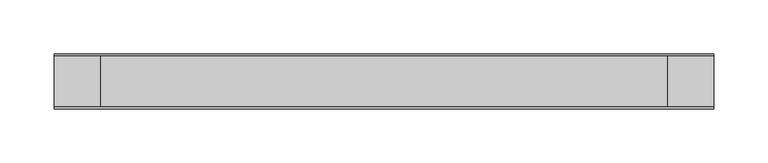
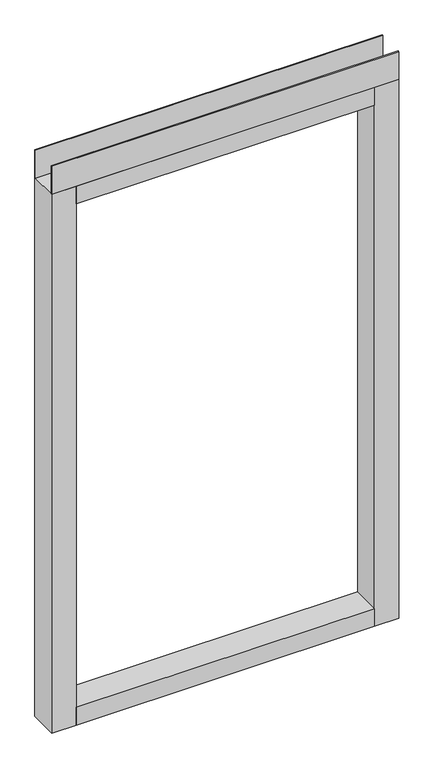
"""IFC4 building model written with IfcOpenShell, lengths in millimetres: furniture geometry."""

from ifc_helpers import new_model, si_unit, frame, origin, place, context, project, spatial, polyline, outline, extrude, source, transform, mapped, element, save


def furniture_c9c7205c(model_context):
    return source(origin(), model_context, "Body", "SweptSolid", [
        extrude(outline(polyline([(304.8, -23.8125), (304.8, -25.4), (-304.8, -25.4), (-304.8, -23.8125), (304.8, -23.8125)])), frame((0.0, 0.0, 1102.233), z_axis=(0.0, 0.0, 1.0), x_axis=(1.0, 0.0, 0.0)), (0.0, 0.0, 1.0), 51.435),
        extrude(outline(polyline([(304.8, 25.4), (304.8, 23.8125), (-304.8, 23.8125), (-304.8, 25.4), (304.8, 25.4)])), frame((0.0, 0.0, 1102.233), z_axis=(0.0, 0.0, 1.0), x_axis=(1.0, 0.0, 0.0)), (0.0, 0.0, 1.0), 51.435),
        extrude(outline(polyline([(261.9375, -25.4), (-261.9375, -25.4), (-261.9375, 25.4), (261.9375, 25.4), (261.9375, -25.4)])), frame((0.0, 0.0, 1069.34), z_axis=(0.0, 0.0, 1.0), x_axis=(1.0, 0.0, 0.0)), (0.0, 0.0, 1.0), 32.893),
        extrude(outline(polyline([(261.9375, -25.4), (-261.9375, -25.4), (-261.9375, 25.4), (261.9375, 25.4), (261.9375, -25.4)])), frame((0.0, 0.0, 101.6), z_axis=(0.0, 0.0, 1.0), x_axis=(1.0, 0.0, 0.0)), (0.0, 0.0, 1.0), 32.893),
        extrude(outline(polyline([(-261.9375, -25.4), (-304.8, -25.4), (-304.8, 25.4), (-261.9375, 25.4), (-261.9375, -25.4)])), frame((0.0, 0.0, 101.6), z_axis=(0.0, 0.0, 1.0), x_axis=(1.0, 0.0, 0.0)), (0.0, 0.0, 1.0), 1000.633),
        extrude(outline(polyline([(304.8, -25.4), (261.9375, -25.4), (261.9375, 25.4), (304.8, 25.4), (304.8, -25.4)])), frame((0.0, 0.0, 101.6), z_axis=(0.0, 0.0, 1.0), x_axis=(1.0, 0.0, 0.0)), (0.0, 0.0, 1.0), 1000.633),
    ])


if __name__ == "__main__":
    model = new_model("IFC4")
    model_context = context("Model", 3, world=origin())
    ifc_project = project(units=[si_unit("LENGTHUNIT", "METRE", prefix="MILLI")], contexts=[model_context])
    site = spatial("IfcSite", under=ifc_project)
    building = spatial("IfcBuilding", under=site)
    placement = place(None, origin())
    furniture_shape = furniture_c9c7205c(model_context)
    element("IfcFurniture", 1, at=placement, inside=building, context=model_context, shape_type="MappedRepresentation", body=[
        mapped(furniture_shape, transform((0.0, 0.0, 0.0), x_axis=(1.0, 0.0, 0.0), y_axis=(0.0, 1.0, 0.0), z_axis=(0.0, 0.0, 1.0))),
    ])
    save(model, "model.ifc")
